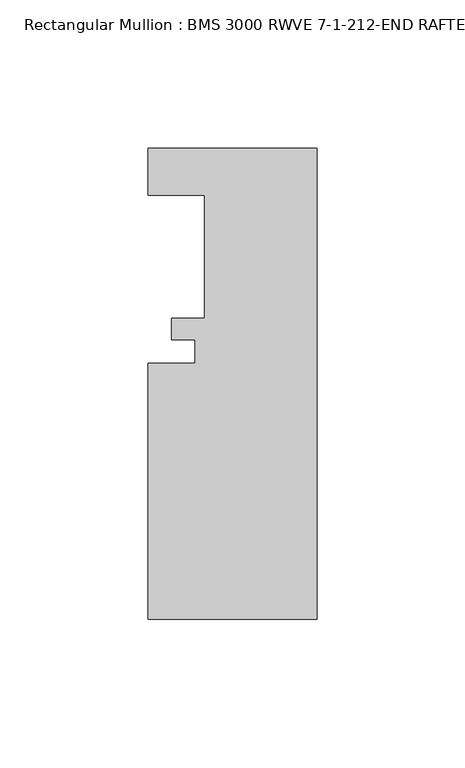
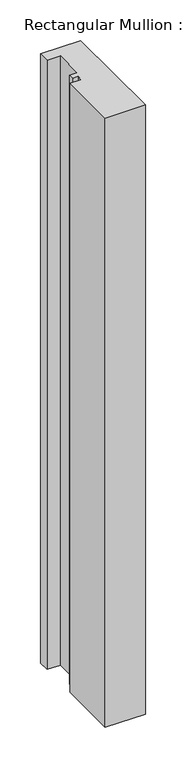
"""IFC4 building model written with IfcOpenShell, lengths in millimetres: member geometry, Rectangular Mullion : BMS 3000 RWVE 7-1-212-END RAFTER-HORIZ."""

from ifc_helpers import new_model, si_unit, frame, origin, place, context, project, spatial, polyline, outline, extrude, source, transform, mapped, element, save


def rectangular_mullion_bms_3000_rwve_7_1_212_end_rafter_horiz_db3ea23a(model_context):
    return source(origin(), model_context, "Body", "SweptSolid", [
        extrude(outline(polyline([(-57.15, -152.9953125), (-57.15, -66.4575125), (-41.275, -66.4575125), (-41.275, -58.5581125), (-49.2252, -58.5581125), (-49.2252, -51.3953125), (-38.1, -51.3953125), (-38.1, -9.7393125), (-57.15, -9.7393125), (-57.15, 6.1356875), (0.0, 6.1356875), (0.0, -152.9953125), (-57.15, -152.9953125)])), frame((0.0, 0.0, -914.4), z_axis=(0.0, 0.0, 1.0), x_axis=(1.0, 0.0, 0.0)), (0.0, 0.0, 1.0), 914.4),
    ])


if __name__ == "__main__":
    model = new_model("IFC4")
    model_context = context("Model", 3, world=origin())
    ifc_project = project(units=[si_unit("LENGTHUNIT", "METRE", prefix="MILLI")], contexts=[model_context])
    site = spatial("IfcSite", under=ifc_project)
    building = spatial("IfcBuilding", under=site)
    placement = place(None, origin())
    rectangular_mullion_bms_3000_rwve_7_1_212_end_rafter_horiz_shape = rectangular_mullion_bms_3000_rwve_7_1_212_end_rafter_horiz_db3ea23a(model_context)
    element("IfcMember", 1, ObjectType="Rectangular Mullion : BMS 3000 RWVE 7-1-212-END RAFTER-HORIZ", at=placement, inside=building, context=model_context, shape_type="MappedRepresentation", body=[
        mapped(rectangular_mullion_bms_3000_rwve_7_1_212_end_rafter_horiz_shape, transform((0.0, 0.0, 0.0), x_axis=(1.0, 0.0, 0.0), y_axis=(0.0, 1.0, 0.0), z_axis=(0.0, 0.0, 1.0))),
    ])
    save(model, "model.ifc")
